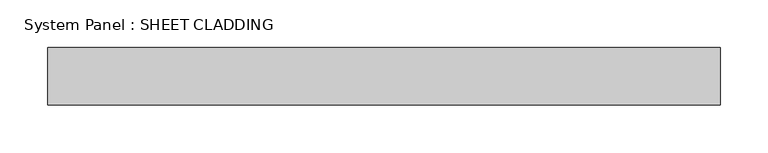
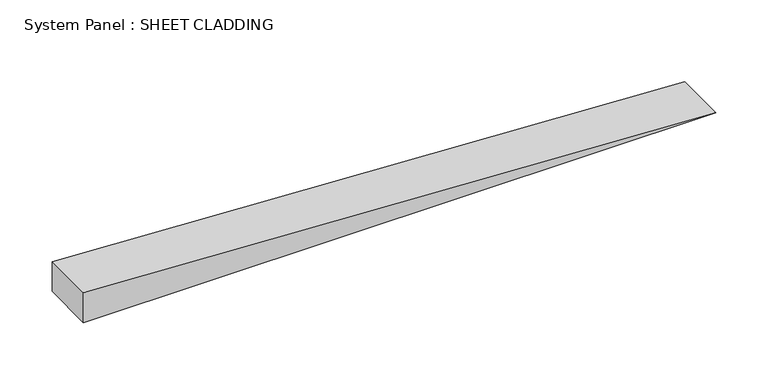
"""IFC4 building model written with IfcOpenShell, lengths in millimetres: plate geometry, System Panel : SHEET CLADDING."""

from ifc_helpers import new_model, si_unit, frame, origin, place, context, project, spatial, polyline, outline, extrude, source, transform, mapped, element, save


def system_panel_sheet_cladding_08b87ec8(model_context):
    return source(origin(), model_context, "Body", "SweptSolid", [
        extrude(outline(polyline([(0.0, -351.0), (0.0, 351.0), (35.1, -351.0), (0.0, -351.0)])), frame((0.0, -49.5, 0.0), z_axis=(0.0, 1.0, 0.0), x_axis=(0.0, 0.0, 1.0)), (0.0, 0.0, 1.0), 60.0),
    ])


if __name__ == "__main__":
    model = new_model("IFC4")
    model_context = context("Model", 3, world=origin())
    ifc_project = project(units=[si_unit("LENGTHUNIT", "METRE", prefix="MILLI")], contexts=[model_context])
    site = spatial("IfcSite", under=ifc_project)
    building = spatial("IfcBuilding", under=site)
    placement = place(None, origin())
    system_panel_sheet_cladding_shape = system_panel_sheet_cladding_08b87ec8(model_context)
    element("IfcPlate", 1, ObjectType="System Panel : SHEET CLADDING", at=placement, inside=building, context=model_context, shape_type="MappedRepresentation", body=[
        mapped(system_panel_sheet_cladding_shape, transform((0.0, 0.0, 0.0), x_axis=(1.0, 0.0, 0.0), y_axis=(0.0, 1.0, 0.0), z_axis=(0.0, 0.0, 1.0))),
    ])
    save(model, "model.ifc")
